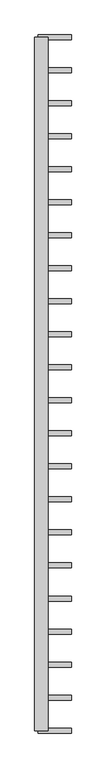
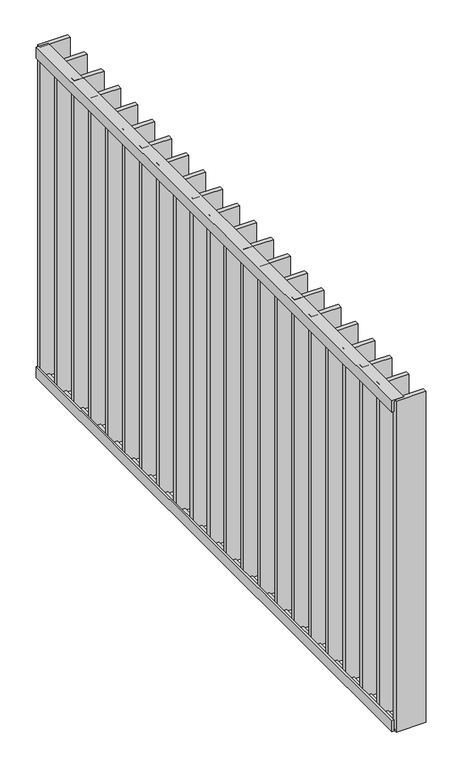
"""IFC4 building model written with IfcOpenShell, lengths in millimetres: railing geometry."""

from ifc_helpers import new_model, si_unit, frame, origin, place, context, project, spatial, polyline, outline, extrude, source, transform, mapped, element, save


def railing_baa45da6(model_context):
    return source(origin(), model_context, "Body", "SweptSolid", [
        extrude(outline(polyline([(7994.0, 22851.9325551), (7994.0, 22885.9325551), (8000.0, 22885.9325551), (8000.0, 22845.9325551), (7960.0, 22845.9325551), (7960.0, 22851.9325551), (7994.0, 22851.9325551)])), frame((0.0, 6109.4012767, 0.0), z_axis=(0.0, 1.0, 0.0), x_axis=(0.0, 0.0, 1.0)), (0.0, 0.0, 1.0), 2080.0),
        extrude(outline(polyline([(6826.0, 22851.9325551), (6860.0, 22851.9325551), (6860.0, 22845.9325551), (6820.0, 22845.9325551), (6820.0, 22885.9325551), (6826.0, 22885.9325551), (6826.0, 22851.9325551)])), frame((0.0, 6109.4012767, 0.0), z_axis=(0.0, 1.0, 0.0), x_axis=(0.0, 0.0, 1.0)), (0.0, 0.0, 1.0), 2080.0),
        extrude(outline(polyline([(22855.9325551, 8082.8536576), (22855.9325551, 8097.8536576), (22955.9325551, 8097.8536576), (22955.9325551, 8082.8536576), (22855.9325551, 8082.8536576)])), frame((0.0, 0.0, 6819.9), z_axis=(0.0, 0.0, 1.0), x_axis=(1.0, 0.0, 0.0)), (0.0, 0.0, 1.0), 1180.2),
        extrude(outline(polyline([(22855.9325551, 7983.8060386), (22855.9325551, 7998.8060386), (22955.9325551, 7998.8060386), (22955.9325551, 7983.8060386), (22855.9325551, 7983.8060386)])), frame((0.0, 0.0, 6819.9), z_axis=(0.0, 0.0, 1.0), x_axis=(1.0, 0.0, 0.0)), (0.0, 0.0, 1.0), 1180.2),
        extrude(outline(polyline([(22855.9325551, 7884.7584195), (22855.9325551, 7899.7584195), (22955.9325551, 7899.7584195), (22955.9325551, 7884.7584195), (22855.9325551, 7884.7584195)])), frame((0.0, 0.0, 6819.9), z_axis=(0.0, 0.0, 1.0), x_axis=(1.0, 0.0, 0.0)), (0.0, 0.0, 1.0), 1180.2),
        extrude(outline(polyline([(22855.9325551, 7785.7108005), (22855.9325551, 7800.7108005), (22955.9325551, 7800.7108005), (22955.9325551, 7785.7108005), (22855.9325551, 7785.7108005)])), frame((0.0, 0.0, 6819.9), z_axis=(0.0, 0.0, 1.0), x_axis=(1.0, 0.0, 0.0)), (0.0, 0.0, 1.0), 1180.2),
        extrude(outline(polyline([(22855.9325551, 7686.6631814), (22855.9325551, 7701.6631814), (22955.9325551, 7701.6631814), (22955.9325551, 7686.6631814), (22855.9325551, 7686.6631814)])), frame((0.0, 0.0, 6819.9), z_axis=(0.0, 0.0, 1.0), x_axis=(1.0, 0.0, 0.0)), (0.0, 0.0, 1.0), 1180.2),
        extrude(outline(polyline([(22855.9325551, 7587.6155624), (22855.9325551, 7602.6155624), (22955.9325551, 7602.6155624), (22955.9325551, 7587.6155624), (22855.9325551, 7587.6155624)])), frame((0.0, 0.0, 6819.9), z_axis=(0.0, 0.0, 1.0), x_axis=(1.0, 0.0, 0.0)), (0.0, 0.0, 1.0), 1180.2),
        extrude(outline(polyline([(22855.9325551, 7488.5679433), (22855.9325551, 7503.5679433), (22955.9325551, 7503.5679433), (22955.9325551, 7488.5679433), (22855.9325551, 7488.5679433)])), frame((0.0, 0.0, 6819.9), z_axis=(0.0, 0.0, 1.0), x_axis=(1.0, 0.0, 0.0)), (0.0, 0.0, 1.0), 1180.2),
        extrude(outline(polyline([(22855.9325551, 7389.5203243), (22855.9325551, 7404.5203243), (22955.9325551, 7404.5203243), (22955.9325551, 7389.5203243), (22855.9325551, 7389.5203243)])), frame((0.0, 0.0, 6819.9), z_axis=(0.0, 0.0, 1.0), x_axis=(1.0, 0.0, 0.0)), (0.0, 0.0, 1.0), 1180.2),
        extrude(outline(polyline([(22855.9325551, 7290.4727052), (22855.9325551, 7305.4727052), (22955.9325551, 7305.4727052), (22955.9325551, 7290.4727052), (22855.9325551, 7290.4727052)])), frame((0.0, 0.0, 6819.9), z_axis=(0.0, 0.0, 1.0), x_axis=(1.0, 0.0, 0.0)), (0.0, 0.0, 1.0), 1180.2),
        extrude(outline(polyline([(22855.9325551, 7191.4250862), (22855.9325551, 7206.4250862), (22955.9325551, 7206.4250862), (22955.9325551, 7191.4250862), (22855.9325551, 7191.4250862)])), frame((0.0, 0.0, 6819.9), z_axis=(0.0, 0.0, 1.0), x_axis=(1.0, 0.0, 0.0)), (0.0, 0.0, 1.0), 1180.2),
        extrude(outline(polyline([(22855.9325551, 7092.3774671), (22855.9325551, 7107.3774671), (22955.9325551, 7107.3774671), (22955.9325551, 7092.3774671), (22855.9325551, 7092.3774671)])), frame((0.0, 0.0, 6819.9), z_axis=(0.0, 0.0, 1.0), x_axis=(1.0, 0.0, 0.0)), (0.0, 0.0, 1.0), 1180.2),
        extrude(outline(polyline([(22855.9325551, 6993.3298481), (22855.9325551, 7008.3298481), (22955.9325551, 7008.3298481), (22955.9325551, 6993.3298481), (22855.9325551, 6993.3298481)])), frame((0.0, 0.0, 6819.9), z_axis=(0.0, 0.0, 1.0), x_axis=(1.0, 0.0, 0.0)), (0.0, 0.0, 1.0), 1180.2),
        extrude(outline(polyline([(22855.9325551, 6894.282229), (22855.9325551, 6909.282229), (22955.9325551, 6909.282229), (22955.9325551, 6894.282229), (22855.9325551, 6894.282229)])), frame((0.0, 0.0, 6819.9), z_axis=(0.0, 0.0, 1.0), x_axis=(1.0, 0.0, 0.0)), (0.0, 0.0, 1.0), 1180.2),
        extrude(outline(polyline([(22855.9325551, 6795.23461), (22855.9325551, 6810.23461), (22955.9325551, 6810.23461), (22955.9325551, 6795.23461), (22855.9325551, 6795.23461)])), frame((0.0, 0.0, 6819.9), z_axis=(0.0, 0.0, 1.0), x_axis=(1.0, 0.0, 0.0)), (0.0, 0.0, 1.0), 1180.2),
        extrude(outline(polyline([(22855.9325551, 6696.1869909), (22855.9325551, 6711.1869909), (22955.9325551, 6711.1869909), (22955.9325551, 6696.1869909), (22855.9325551, 6696.1869909)])), frame((0.0, 0.0, 6819.9), z_axis=(0.0, 0.0, 1.0), x_axis=(1.0, 0.0, 0.0)), (0.0, 0.0, 1.0), 1180.2),
        extrude(outline(polyline([(22855.9325551, 6597.1393719), (22855.9325551, 6612.1393719), (22955.9325551, 6612.1393719), (22955.9325551, 6597.1393719), (22855.9325551, 6597.1393719)])), frame((0.0, 0.0, 6819.9), z_axis=(0.0, 0.0, 1.0), x_axis=(1.0, 0.0, 0.0)), (0.0, 0.0, 1.0), 1180.2),
        extrude(outline(polyline([(22855.9325551, 6498.0917529), (22855.9325551, 6513.0917529), (22955.9325551, 6513.0917529), (22955.9325551, 6498.0917529), (22855.9325551, 6498.0917529)])), frame((0.0, 0.0, 6819.9), z_axis=(0.0, 0.0, 1.0), x_axis=(1.0, 0.0, 0.0)), (0.0, 0.0, 1.0), 1180.2),
        extrude(outline(polyline([(22855.9325551, 6399.0441338), (22855.9325551, 6414.0441338), (22955.9325551, 6414.0441338), (22955.9325551, 6399.0441338), (22855.9325551, 6399.0441338)])), frame((0.0, 0.0, 6819.9), z_axis=(0.0, 0.0, 1.0), x_axis=(1.0, 0.0, 0.0)), (0.0, 0.0, 1.0), 1180.2),
        extrude(outline(polyline([(22855.9325551, 6299.9965148), (22855.9325551, 6314.9965148), (22955.9325551, 6314.9965148), (22955.9325551, 6299.9965148), (22855.9325551, 6299.9965148)])), frame((0.0, 0.0, 6819.9), z_axis=(0.0, 0.0, 1.0), x_axis=(1.0, 0.0, 0.0)), (0.0, 0.0, 1.0), 1180.2),
        extrude(outline(polyline([(22855.9325551, 6200.9488957), (22855.9325551, 6215.9488957), (22955.9325551, 6215.9488957), (22955.9325551, 6200.9488957), (22855.9325551, 6200.9488957)])), frame((0.0, 0.0, 6819.9), z_axis=(0.0, 0.0, 1.0), x_axis=(1.0, 0.0, 0.0)), (0.0, 0.0, 1.0), 1180.2),
        extrude(outline(polyline([(22855.9325551, 8181.9012767), (22855.9325551, 8196.9012767), (22955.9325551, 8196.9012767), (22955.9325551, 8181.9012767), (22855.9325551, 8181.9012767)])), frame((0.0, 0.0, 6819.9), z_axis=(0.0, 0.0, 1.0), x_axis=(1.0, 0.0, 0.0)), (0.0, 0.0, 1.0), 1180.2),
        extrude(outline(polyline([(22855.9325551, 6101.9012767), (22855.9325551, 6116.9012767), (22955.9325551, 6116.9012767), (22955.9325551, 6101.9012767), (22855.9325551, 6101.9012767)])), frame((0.0, 0.0, 6819.9), z_axis=(0.0, 0.0, 1.0), x_axis=(1.0, 0.0, 0.0)), (0.0, 0.0, 1.0), 1180.2),
    ])


if __name__ == "__main__":
    model = new_model("IFC4")
    model_context = context("Model", 3, world=origin())
    ifc_project = project(units=[si_unit("LENGTHUNIT", "METRE", prefix="MILLI")], contexts=[model_context])
    site = spatial("IfcSite", under=ifc_project)
    building = spatial("IfcBuilding", under=site)
    placement = place(None, origin())
    railing_shape = railing_baa45da6(model_context)
    element("IfcRailing", 1, at=placement, inside=building, context=model_context, shape_type="MappedRepresentation", body=[
        mapped(railing_shape, transform((0.0, 0.0, 0.0), x_axis=(1.0, 0.0, 0.0), y_axis=(0.0, 1.0, 0.0), z_axis=(0.0, 0.0, 1.0))),
    ])
    save(model, "model.ifc")
